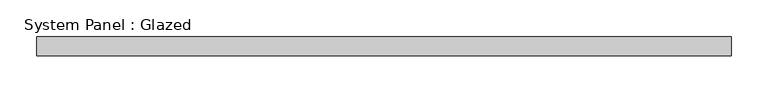
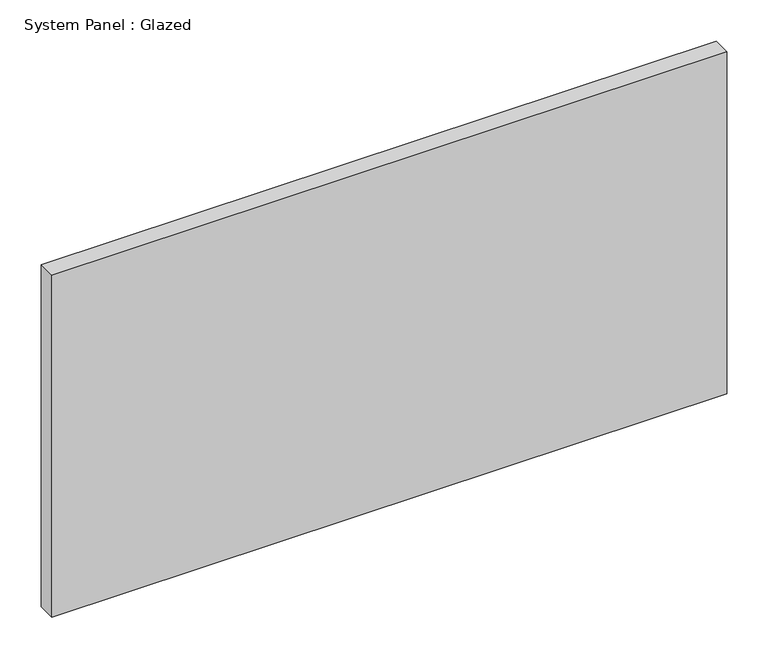
"""IFC4 building model written with IfcOpenShell, lengths in millimetres: plate geometry, System Panel : Glazed."""

from ifc_helpers import new_model, si_unit, origin, origin_with_axes, place, context, project, spatial, polyline, outline, extrude, source, transform, mapped, element, save


def system_panel_glazed_5f708538(model_context):
    return source(origin(), model_context, "Body", "SweptSolid", [
        extrude(outline(polyline([(469.9, -44.45), (-469.9, -44.45), (-469.9, -19.05), (469.9, -19.05), (469.9, -44.45)])), origin_with_axes(), (0.0, 0.0, 1.0), 503.7666667),
    ])


if __name__ == "__main__":
    model = new_model("IFC4")
    model_context = context("Model", 3, world=origin())
    ifc_project = project(units=[si_unit("LENGTHUNIT", "METRE", prefix="MILLI")], contexts=[model_context])
    site = spatial("IfcSite", under=ifc_project)
    building = spatial("IfcBuilding", under=site)
    placement = place(None, origin())
    system_panel_glazed_shape = system_panel_glazed_5f708538(model_context)
    element("IfcPlate", 1, ObjectType="System Panel : Glazed", at=placement, inside=building, context=model_context, shape_type="MappedRepresentation", body=[
        mapped(system_panel_glazed_shape, transform((0.0, 0.0, 0.0), x_axis=(1.0, 0.0, 0.0), y_axis=(0.0, 1.0, 0.0), z_axis=(0.0, 0.0, 1.0))),
    ])
    save(model, "model.ifc")
